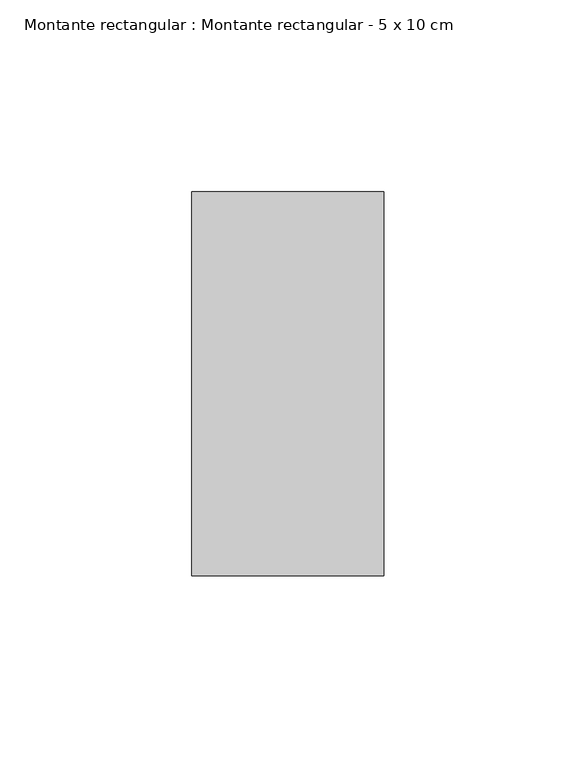
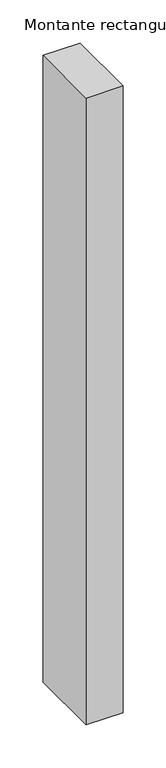
"""IFC4 building model written with IfcOpenShell, lengths in millimetres: member geometry, Montante rectangular : Montante rectangular - 5 x 10 cm."""

from ifc_helpers import new_model, si_unit, frame, origin, place, context, project, spatial, polyline, outline, extrude, source, transform, mapped, element, save


def montante_rectangular_montante_rectangular_5_x_10_cm_6c961711(model_context):
    return source(origin(), model_context, "Body", "SweptSolid", [
        extrude(outline(polyline([(0.0, 50.0), (0.0, -50.0), (-50.0, -50.0), (-50.0, 50.0), (0.0, 50.0)])), frame((0.0, 0.0, -889.1495115), z_axis=(0.0, 0.0, 1.0), x_axis=(1.0, 0.0, 0.0)), (0.0, 0.0, 1.0), 889.1495115),
    ])


if __name__ == "__main__":
    model = new_model("IFC4")
    model_context = context("Model", 3, world=origin())
    ifc_project = project(units=[si_unit("LENGTHUNIT", "METRE", prefix="MILLI")], contexts=[model_context])
    site = spatial("IfcSite", under=ifc_project)
    building = spatial("IfcBuilding", under=site)
    placement = place(None, origin())
    montante_rectangular_montante_rectangular_5_x_10_cm_shape = montante_rectangular_montante_rectangular_5_x_10_cm_6c961711(model_context)
    element("IfcMember", 1, ObjectType="Montante rectangular : Montante rectangular - 5 x 10 cm", at=placement, inside=building, context=model_context, shape_type="MappedRepresentation", body=[
        mapped(montante_rectangular_montante_rectangular_5_x_10_cm_shape, transform((0.0, 0.0, 0.0), x_axis=(1.0, 0.0, 0.0), y_axis=(0.0, 1.0, 0.0), z_axis=(0.0, 0.0, 1.0))),
    ])
    save(model, "model.ifc")
